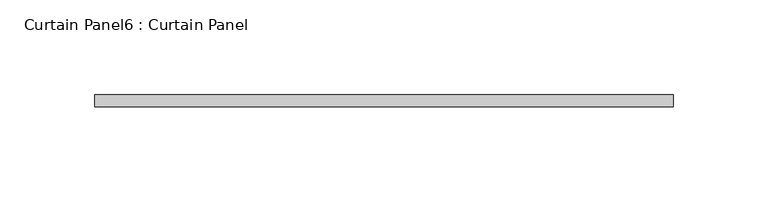
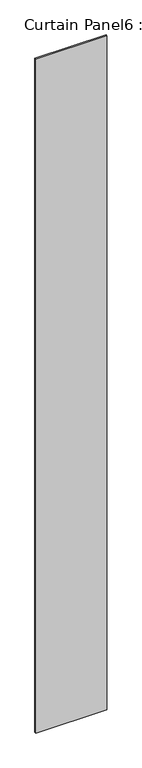
"""IFC4 building model written with IfcOpenShell, lengths in millimetres: plate geometry, Curtain Panel6 : Curtain Panel."""

from ifc_helpers import new_model, si_unit, origin, origin_with_axes, place, context, project, spatial, polyline, outline, extrude, source, transform, mapped, element, save


def curtain_panel6_curtain_panel_bd6f05d9(model_context):
    return source(origin(), model_context, "Body", "SweptSolid", [
        extrude(outline(polyline([(-75159.3941471, 2345.0292916), (-74854.5941471, 2345.0292916), (-74854.5941471, 2338.6792916), (-75159.3941471, 2338.6792916), (-75159.3941471, 2345.0292916)])), origin_with_axes(), (0.0, 0.0, 1.0), 3048.0),
    ])


if __name__ == "__main__":
    model = new_model("IFC4")
    model_context = context("Model", 3, world=origin())
    ifc_project = project(units=[si_unit("LENGTHUNIT", "METRE", prefix="MILLI")], contexts=[model_context])
    site = spatial("IfcSite", under=ifc_project)
    building = spatial("IfcBuilding", under=site)
    placement = place(None, origin())
    curtain_panel6_curtain_panel_shape = curtain_panel6_curtain_panel_bd6f05d9(model_context)
    element("IfcPlate", 1, ObjectType="Curtain Panel6 : Curtain Panel", at=placement, inside=building, context=model_context, shape_type="MappedRepresentation", body=[
        mapped(curtain_panel6_curtain_panel_shape, transform((0.0, 0.0, 0.0), x_axis=(1.0, 0.0, 0.0), y_axis=(0.0, 1.0, 0.0), z_axis=(0.0, 0.0, 1.0))),
    ])
    save(model, "model.ifc")
